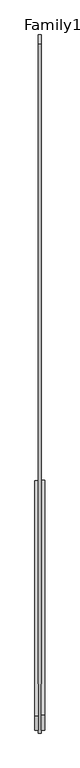
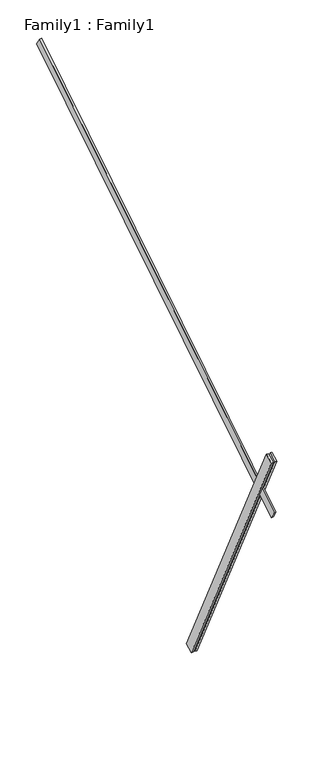
"""IFC4 building model written with IfcOpenShell, lengths in millimetres: proxy geometry, Family1 : Family1."""

from ifc_helpers import new_model, si_unit, frame, origin, place, context, project, spatial, polyline, outline, extrude, source, transform, mapped, element, save


def family1_family1_0fb65f7f(model_context):
    return source(origin(), model_context, "Body", "SweptSolid", [
        extrude(outline(polyline([(0.0, 0.0), (-100.0000001, 0.0), (-100.0000001, 20.0), (0.0, 20.0), (0.0, 0.0)])), frame((-30.0, -46.3241747, -22.5938096), z_axis=(0.0, -0.4383711467890692, 0.8987940462991711), x_axis=(0.0, -0.8987940462991711, -0.4383711467890692)), (0.0, 0.0, 1.0), 3300.0),
        extrude(outline(polyline([(0.0, 0.0), (-99.9999999, 0.0), (-99.9999999, 20.0), (0.0, 20.0), (0.0, 0.0)])), frame((10.0, -45.270232, -22.0797674), z_axis=(0.0, -0.4383711467890692, 0.8987940462991711), x_axis=(0.0, -0.8987940462991711, -0.4383711467890692)), (0.0, 0.0, 1.0), 3300.0),
        extrude(outline(polyline([(0.0, 20.0), (5000.0, 20.0), (5000.0, 0.0), (0.0, 0.0), (0.0, 20.0)])), frame((-10.0, 2783.4092818, 4963.9207078), z_axis=(0.0, -0.5299192642332069, 0.8480480961564248), x_axis=(0.0, -0.8480480961564248, -0.5299192642332069)), (0.0, 0.0, 1.0), 100.0),
    ])


if __name__ == "__main__":
    model = new_model("IFC4")
    model_context = context("Model", 3, world=origin())
    ifc_project = project(units=[si_unit("LENGTHUNIT", "METRE", prefix="MILLI")], contexts=[model_context])
    site = spatial("IfcSite", under=ifc_project)
    building = spatial("IfcBuilding", under=site)
    placement = place(None, origin())
    family1_family1_shape = family1_family1_0fb65f7f(model_context)
    element("IfcBuildingElementProxy", 1, Name="Family1 : Family1", ObjectType="Family1 : Family1", at=placement, inside=building, context=model_context, shape_type="MappedRepresentation", body=[
        mapped(family1_family1_shape, transform((0.0, 0.0, 0.0), x_axis=(1.0, 0.0, 0.0), y_axis=(0.0, 1.0, 0.0), z_axis=(0.0, 0.0, 1.0))),
    ])
    save(model, "model.ifc")
